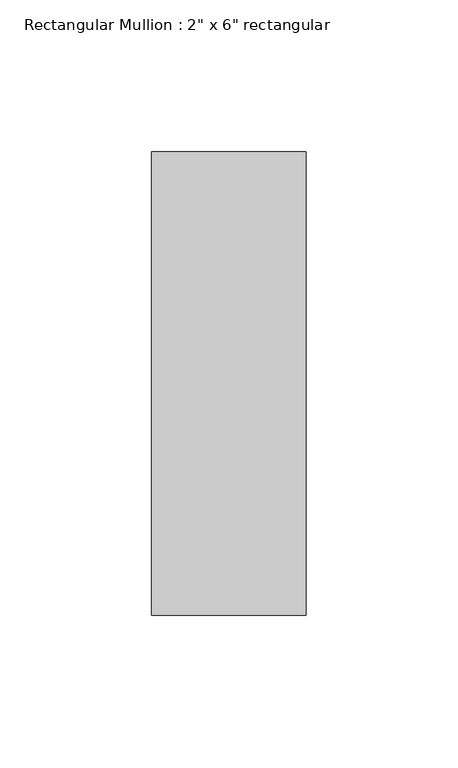
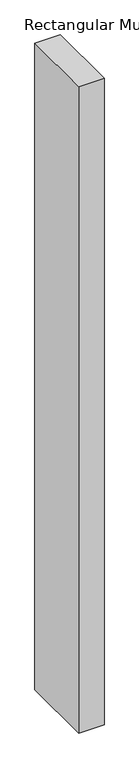
"""IFC4 building model written with IfcOpenShell, lengths in millimetres: member geometry."""

from ifc_helpers import new_model, si_unit, frame, origin, place, context, project, spatial, polyline, outline, extrude, source, transform, mapped, element, save


def member_18ee841f(model_context):
    return source(origin(), model_context, "Body", "SweptSolid", [
        extrude(outline(polyline([(0.0, 76.2), (0.0, -76.2), (-50.8, -76.2), (-50.8, 76.2), (0.0, 76.2)])), frame((0.0, 0.0, -1371.6), z_axis=(0.0, 0.0, 1.0), x_axis=(1.0, 0.0, 0.0)), (0.0, 0.0, 1.0), 1371.6),
    ])


if __name__ == "__main__":
    model = new_model("IFC4")
    model_context = context("Model", 3, world=origin())
    ifc_project = project(units=[si_unit("LENGTHUNIT", "METRE", prefix="MILLI")], contexts=[model_context])
    site = spatial("IfcSite", under=ifc_project)
    building = spatial("IfcBuilding", under=site)
    placement = place(None, origin())
    member_shape = member_18ee841f(model_context)
    element("IfcMember", 1, ObjectType="Rectangular Mullion : 2\" x 6\" rectangular", at=placement, inside=building, context=model_context, shape_type="MappedRepresentation", body=[
        mapped(member_shape, transform((0.0, 0.0, 0.0), x_axis=(1.0, 0.0, 0.0), y_axis=(0.0, 1.0, 0.0), z_axis=(0.0, 0.0, 1.0))),
    ])
    save(model, "model.ifc")
